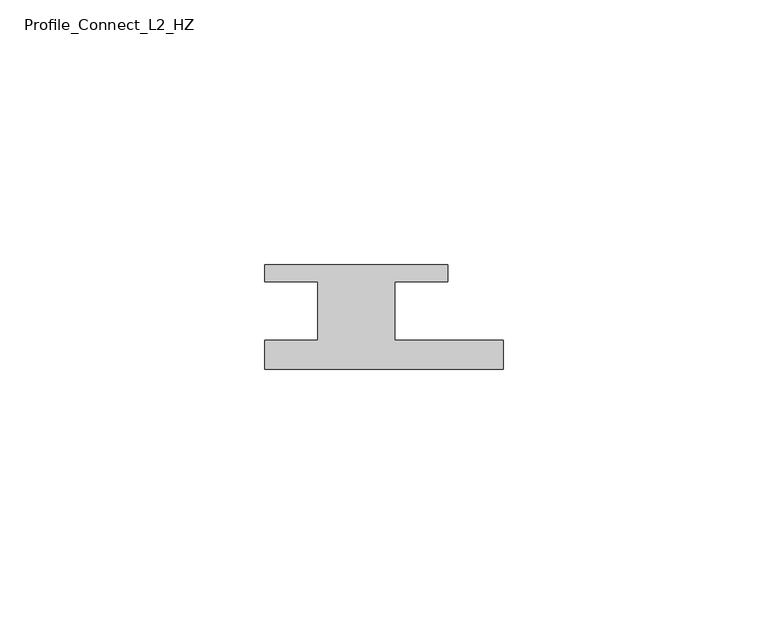
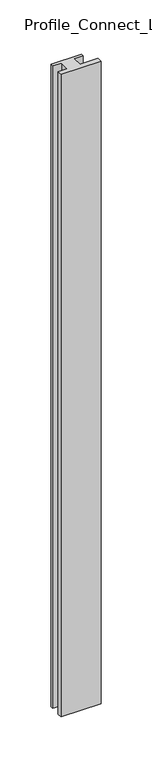
"""IFC4 building model written with IfcOpenShell, lengths in millimetres: member geometry, Profile_Connect_L2_HZ."""

from ifc_helpers import new_model, si_unit, frame, origin, place, context, project, spatial, polyline, outline, extrude, source, transform, mapped, element, save


def profile_connect_l2_hz_4c3caaf9(model_context):
    return source(origin(), model_context, "Body", "SweptSolid", [
        extrude(outline(polyline([(26.6, -5.5), (26.6, -11.0), (-18.4, -11.0), (-18.4, -5.5), (-8.4, -5.5), (-8.4, 5.5), (-18.4, 5.5), (-18.4, 8.7), (16.1, 8.7), (16.1, 5.5), (6.1, 5.5), (6.1, -5.5), (26.6, -5.5)])), frame((0.0, 0.0, -766.8), z_axis=(0.0, 0.0, 1.0), x_axis=(1.0, 0.0, 0.0)), (0.0, 0.0, 1.0), 766.8),
    ])


if __name__ == "__main__":
    model = new_model("IFC4")
    model_context = context("Model", 3, world=origin())
    ifc_project = project(units=[si_unit("LENGTHUNIT", "METRE", prefix="MILLI")], contexts=[model_context])
    site = spatial("IfcSite", under=ifc_project)
    building = spatial("IfcBuilding", under=site)
    placement = place(None, origin())
    profile_connect_l2_hz_shape = profile_connect_l2_hz_4c3caaf9(model_context)
    element("IfcMember", 1, ObjectType="Profile_Connect_L2_HZ", at=placement, inside=building, context=model_context, shape_type="MappedRepresentation", body=[
        mapped(profile_connect_l2_hz_shape, transform((0.0, 0.0, 0.0), x_axis=(1.0, 0.0, 0.0), y_axis=(0.0, 1.0, 0.0), z_axis=(0.0, 0.0, 1.0))),
    ])
    save(model, "model.ifc")
